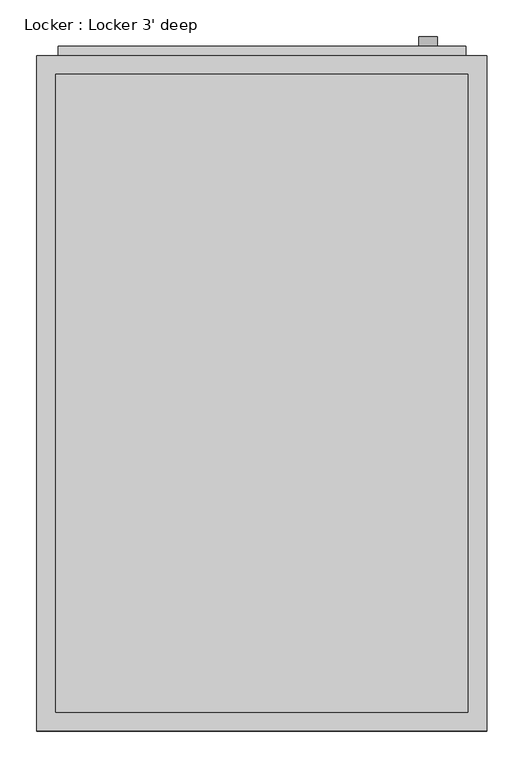
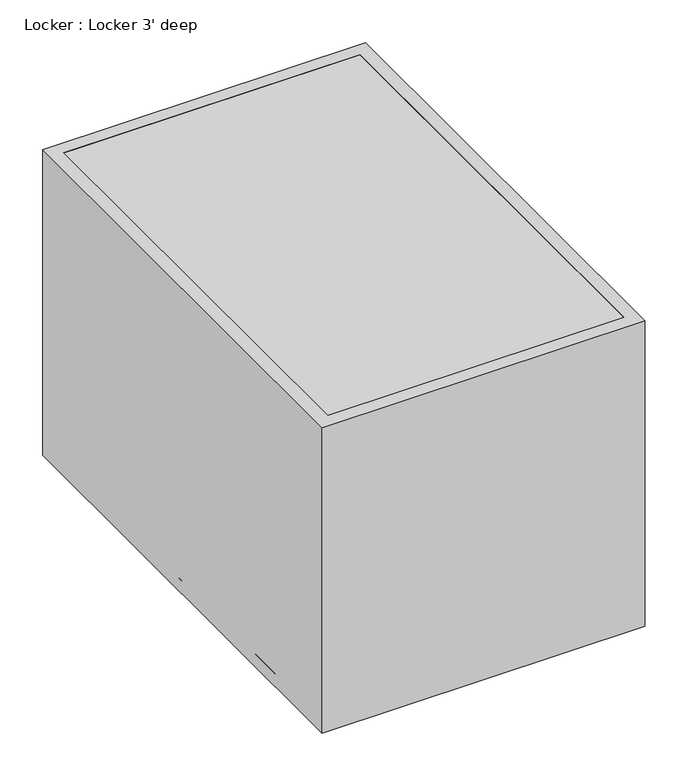
"""IFC4 building model written with IfcOpenShell, lengths in millimetres: proxy geometry, Locker : Locker 3' deep."""

import ifcopenshell
import ifcopenshell.guid

model = None  # the IFC model being written
_history = None  # IfcOwnerHistory: only IFC2X3 demands one
_inside = {}  # id of a spatial element -> (the spatial element, [elements in it])
_under = {}  # id of a project, library or spatial element -> (it, [spatial elements below it])
_declared = {}  # id of a project -> (the project, [libraries it declares])
_typed = {}  # id of a type object -> (the type object, [elements of that type])
_made_of = {}  # id of a material, layer set ... -> (it, [elements and type objects made of it])


def new_model(schema):
    """Start an empty IFC model of exactly this schema.

    Asked for "IFC4X3", IfcOpenShell would pick the latest addendum, in which some entities
    have other attributes; the version numbers below select the first issue.
    IFC2X3 requires an IfcOwnerHistory on every rooted entity: one is made here for all.
    """
    global model, _history
    if schema == "IFC4X3":
        model = ifcopenshell.file(schema_version=(4, 3, 0, 0))
    else:
        model = ifcopenshell.file(schema=schema)
    _inside.clear()
    _under.clear()
    _declared.clear()
    _typed.clear()
    _made_of.clear()
    _history = None
    if model.schema == "IFC2X3":
        org = make("IfcOrganization", Name="unknown")
        user = make(
            "IfcPersonAndOrganization",
            ThePerson=make("IfcPerson", FamilyName="unknown"),
            TheOrganization=org,
        )
        app = make(
            "IfcApplication",
            ApplicationDeveloper=org,
            Version="unknown",
            ApplicationFullName="unknown",
            ApplicationIdentifier="unknown",
        )
        _history = make(
            "IfcOwnerHistory",
            OwningUser=user,
            OwningApplication=app,
            ChangeAction="ADDED",
            CreationDate=0,
        )
    return model


def make(cls, **values):
    """One entity of the class cls with the attributes given. An attribute that is None is left unset."""
    return model.create_entity(
        cls, **{name: value for name, value in values.items() if value is not None}
    )


def rooted(cls, **values):
    """An entity with a GlobalId (a new one), such as an element, a storey or a relation."""
    return make(cls, GlobalId=ifcopenshell.guid.new(), OwnerHistory=_history, **values)


def si_unit(unit_type, name, prefix=None):
    """IfcSIUnit, for example si_unit("LENGTHUNIT", "METRE", prefix="MILLI")."""
    return make("IfcSIUnit", UnitType=unit_type, Prefix=prefix, Name=name)


def assignment(units):
    """IfcUnitAssignment: the units of a project."""
    return None if units is None else make("IfcUnitAssignment", Units=units)


def point(xyz):
    """IfcCartesianPoint."""
    return None if xyz is None else make("IfcCartesianPoint", Coordinates=xyz)


def direction(xyz):
    """IfcDirection."""
    return None if xyz is None else make("IfcDirection", DirectionRatios=xyz)


def frame(location, z_axis=None, x_axis=None):
    """IfcAxis2Placement3D, a coordinate frame: its origin and axes. An axis left out is left unset."""
    return make(
        "IfcAxis2Placement3D",
        Location=point(location),
        Axis=direction(z_axis),
        RefDirection=direction(x_axis),
    )


def frame_2d(location, x_axis=None):
    """IfcAxis2Placement2D, a coordinate frame in the plane: its origin and x axis."""
    return make(
        "IfcAxis2Placement2D", Location=point(location), RefDirection=direction(x_axis)
    )


def origin():
    """The frame at (0, 0, 0) with its axes left unset."""
    return frame((0.0, 0.0, 0.0))


def origin_with_axes():
    """The frame at (0, 0, 0) with the z axis (0, 0, 1) and the x axis (1, 0, 0) written out."""
    return frame((0.0, 0.0, 0.0), z_axis=(0.0, 0.0, 1.0), x_axis=(1.0, 0.0, 0.0))


def place(relative_to, where):
    """IfcLocalPlacement: puts the frame where relative to a parent placement (None: the world)."""
    return make(
        "IfcLocalPlacement", PlacementRelTo=relative_to, RelativePlacement=where
    )


def context(
    kind, dimensions, precision=None, world=None, true_north=None, identifier=None
):
    """IfcGeometricRepresentationContext, for example the 3D "Model" context."""
    return make(
        "IfcGeometricRepresentationContext",
        ContextIdentifier=identifier,
        ContextType=kind,
        CoordinateSpaceDimension=dimensions,
        Precision=precision,
        WorldCoordinateSystem=world,
        TrueNorth=true_north,
    )


def project(units=None, contexts=None):
    """IfcProject with its units and contexts."""
    return rooted(
        "IfcProject",
        Name="project",
        RepresentationContexts=contexts,
        UnitsInContext=assignment(units),
    )


def spatial(cls, under=None, at=None, **own):
    """A site, building, storey or space (cls), placed at a placement, below another one or the project."""
    s = rooted(cls, ObjectPlacement=at, **own)
    if under is not None:
        _under.setdefault(under.id(), (under, []))[1].append(s)
    return s


def polyline(points):
    """IfcPolyline through the points."""
    return make("IfcPolyline", Points=[point(p) for p in points])


def circle_curve(where, radius):
    """IfcCircle in the frame where."""
    return make("IfcCircle", Position=where, Radius=radius)


def trimmed(basis, trim1, trim2, sense, master):
    """IfcTrimmedCurve: the piece of a basis curve between two trims."""
    return make(
        "IfcTrimmedCurve",
        BasisCurve=basis,
        Trim1=trim1,
        Trim2=trim2,
        SenseAgreement=sense,
        MasterRepresentation=master,
    )


def segment(curve, same_sense, transition):
    """IfcCompositeCurveSegment."""
    return make(
        "IfcCompositeCurveSegment",
        Transition=transition,
        SameSense=same_sense,
        ParentCurve=curve,
    )


def composite_curve(segments, self_intersect=None):
    """IfcCompositeCurve: segments joined end to end."""
    return make("IfcCompositeCurve", Segments=segments, SelfIntersect=self_intersect)


def outline(outer, holes=None, kind="AREA"):
    """IfcArbitraryClosedProfileDef: a profile drawn as a closed curve; with holes, ...WithVoids."""
    if holes is None:
        return make("IfcArbitraryClosedProfileDef", ProfileType=kind, OuterCurve=outer)
    return make(
        "IfcArbitraryProfileDefWithVoids",
        ProfileType=kind,
        OuterCurve=outer,
        InnerCurves=holes,
    )


def extrude(swept, where, along, depth):
    """IfcExtrudedAreaSolid: the profile swept, set in the frame where, extruded along a direction by depth."""
    return make(
        "IfcExtrudedAreaSolid",
        SweptArea=swept,
        Position=where,
        ExtrudedDirection=direction(along),
        Depth=depth,
    )


def faces_of(points, faces, orient=None, outer=None):
    """IfcFace entities. A face is a list of loops; a loop is a list of indices into points, from 0.

    orient and outer hold one flag for each loop. By default every Orientation is true, the
    first loop of a face is its IfcFaceOuterBound and the others are IfcFaceBound.
    """
    made = []
    for i, loops in enumerate(faces):
        bounds = []
        for j, loop in enumerate(loops):
            is_outer = j == 0 if outer is None else outer[i][j]
            bounds.append(
                make(
                    "IfcFaceOuterBound" if is_outer else "IfcFaceBound",
                    Bound=make("IfcPolyLoop", Polygon=[points[k] for k in loop]),
                    Orientation=True if orient is None else orient[i][j],
                )
            )
        made.append(make("IfcFace", Bounds=bounds))
    return made


def faceted_brep(points, faces, orient=None, outer=None, voids=None):
    """IfcFacetedBrep: a solid bounded by flat faces; with voids (closed shells), ...WithVoids."""
    shared = [point(p) for p in points]
    hull = make("IfcClosedShell", CfsFaces=faces_of(shared, faces, orient, outer))
    if voids is None:
        return make("IfcFacetedBrep", Outer=hull)
    return make(
        "IfcFacetedBrepWithVoids",
        Outer=hull,
        Voids=[
            make(cls, CfsFaces=faces_of(shared, fs, o, b)) for cls, fs, o, b in voids
        ],
    )


def shape(context_of_items, identifier, shape_type, items):
    """IfcShapeRepresentation: the items that make up one representation, for example the "Body"."""
    return make(
        "IfcShapeRepresentation",
        ContextOfItems=context_of_items,
        RepresentationIdentifier=identifier,
        RepresentationType=shape_type,
        Items=items,
    )


def source(mapping_origin, context_of_items, identifier, shape_type, items):
    """IfcRepresentationMap: a shape defined once, which mapped items show again and again."""
    return make(
        "IfcRepresentationMap",
        MappingOrigin=mapping_origin,
        MappedRepresentation=shape(context_of_items, identifier, shape_type, items),
    )


def transform(
    local_origin,
    x_axis=None,
    y_axis=None,
    z_axis=None,
    scale=None,
    scale2=None,
    scale3=None,
    uniform=True,
):
    """IfcCartesianTransformationOperator3D, or its non-uniform kind. x_axis, y_axis, z_axis: its Axis1, 2, 3."""
    if uniform:
        return make(
            "IfcCartesianTransformationOperator3D",
            Axis1=direction(x_axis),
            Axis2=direction(y_axis),
            LocalOrigin=point(local_origin),
            Scale=scale,
            Axis3=direction(z_axis),
        )
    return make(
        "IfcCartesianTransformationOperator3DnonUniform",
        Axis1=direction(x_axis),
        Axis2=direction(y_axis),
        LocalOrigin=point(local_origin),
        Scale=scale,
        Axis3=direction(z_axis),
        Scale2=scale2,
        Scale3=scale3,
    )


def mapped(mapping_source, mapping_target):
    """IfcMappedItem: shows the shape of a source again, moved by a transform."""
    return make(
        "IfcMappedItem", MappingSource=mapping_source, MappingTarget=mapping_target
    )


def made_of(thing, what):
    """Note that an element or type object is made of a material, layer set ...; save() writes the relation."""
    if what is not None:
        _made_of.setdefault(what.id(), (what, []))[1].append(thing)
    return thing


def element(
    cls,
    number,
    at=None,
    inside=None,
    cuts=None,
    type_object=None,
    material=None,
    context=None,
    identifier="Body",
    shape_type=None,
    held_by="IfcProductDefinitionShape",
    body=None,
    shapes=None,
    **own,
):
    """One element of the class cls, such as IfcWall. Its Tag is "e" and its number.

    at: its placement. inside: the storey or other place that contains it. cuts: it is an
    opening in that element (IfcRelVoidsElement). A single representation is given by context,
    identifier, shape_type and body (its items); several are given by shapes. held_by: the class
    of the entity that holds the representations. save() writes the other relations.
    """
    e = rooted(cls, Tag="e%d" % number, ObjectPlacement=at, **own)
    if body is not None:
        shapes = [shape(context, identifier, shape_type, body)]
    if shapes is not None:
        e.Representation = make(held_by, Representations=shapes)
    if inside is not None:
        _inside.setdefault(inside.id(), (inside, []))[1].append(e)
    if cuts is not None:
        rooted(
            "IfcRelVoidsElement", RelatingBuildingElement=cuts, RelatedOpeningElement=e
        )
    if type_object is not None:
        _typed.setdefault(type_object.id(), (type_object, []))[1].append(e)
    return made_of(e, material)


def aggregate(whole, parts):
    """IfcRelAggregates: a whole, such as a stair, and the parts it consists of."""
    return rooted("IfcRelAggregates", RelatingObject=whole, RelatedObjects=parts)


def save(model, path):
    """Write the relations noted so far, then the file.

    IfcRelAggregates (storeys below a building ...), IfcRelContainedInSpatialStructure (elements
    in a storey), IfcRelDefinesByType, IfcRelAssociatesMaterial and IfcRelDeclares: one each for
    every whole, place, type object, material and project.
    """
    for whole, parts in _under.values():
        aggregate(whole, parts)
    for where, things in _inside.values():
        rooted(
            "IfcRelContainedInSpatialStructure",
            RelatedElements=things,
            RelatingStructure=where,
        )
    for kind, things in _typed.values():
        rooted("IfcRelDefinesByType", RelatedObjects=things, RelatingType=kind)
    for what, things in _made_of.values():
        rooted("IfcRelAssociatesMaterial", RelatedObjects=things, RelatingMaterial=what)
    for by, libraries in _declared.values():
        rooted("IfcRelDeclares", RelatingContext=by, RelatedDefinitions=libraries)
    model.write(path)


def locker_locker_3_deep_3d362438(model_context):
    return source(origin(), model_context, "Body", "SolidModel", [
        extrude(outline(polyline([(581.025, 581.025), (581.025, 28.575), (28.575, 28.575), (28.575, 581.025), (581.025, 581.025)]), holes=[polyline([(498.475, 381.0), (498.475, 228.6), (504.825, 228.6), (504.825, 381.0), (498.475, 381.0)]), polyline([(473.075, 381.0), (473.075, 228.6), (479.425, 228.6), (479.425, 381.0), (473.075, 381.0)]), polyline([(447.675, 381.0), (447.675, 228.6), (454.025, 228.6), (454.025, 381.0), (447.675, 381.0)]), polyline([(111.125, 381.0), (104.775, 381.0), (104.775, 228.6), (111.125, 228.6), (111.125, 381.0)]), polyline([(136.525, 381.0), (130.175, 381.0), (130.175, 228.6), (136.525, 228.6), (136.525, 381.0)]), polyline([(161.925, 381.0), (155.575, 381.0), (155.575, 228.6), (161.925, 228.6), (161.925, 381.0)])]), frame((0.0, 0.0, 0.0), z_axis=(0.0, 1.0, 0.0), x_axis=(0.0, 0.0, 1.0)), (0.0, 0.0, 1.0), 12.7),
        faceted_brep([(609.6, 0.0, 609.6), (0.0, 0.0, 609.6), (0.0, -914.4, 609.6), (609.6, -914.4, 609.6), (25.4, -25.4, 609.6), (584.2, -25.4, 609.6), (584.2, -889.0, 609.6), (25.4, -889.0, 609.6), (609.6, 0.0, 0.0), (609.6, -914.4, 0.0), (0.0, -914.4, 0.0), (0.0, 0.0, 0.0), (25.4, -25.4, 0.0), (25.4, -889.0, 0.0), (584.2, -889.0, 0.0), (584.2, -25.4, 0.0), (381.0, 0.0, 504.825), (228.6, 0.0, 504.825), (228.6, 0.0, 498.475), (381.0, 0.0, 498.475), (381.0, 0.0, 479.425), (228.6, 0.0, 479.425), (228.6, 0.0, 473.075), (381.0, 0.0, 473.075), (381.0, 0.0, 454.025), (228.6, 0.0, 454.025), (228.6, 0.0, 447.675), (381.0, 0.0, 447.675), (228.6, 0.0, 111.125), (228.6, 0.0, 104.775), (381.0, 0.0, 104.775), (381.0, 0.0, 111.125), (228.6, 0.0, 136.525), (228.6, 0.0, 130.175), (381.0, 0.0, 130.175), (381.0, 0.0, 136.525), (228.6, 0.0, 161.925), (228.6, 0.0, 155.575), (381.0, 0.0, 155.575), (381.0, 0.0, 161.925), (381.0, -25.4, 498.475), (228.6, -25.4, 498.475), (228.6, -25.4, 504.825), (381.0, -25.4, 504.825), (381.0, -25.4, 473.075), (228.6, -25.4, 473.075), (228.6, -25.4, 479.425), (381.0, -25.4, 479.425), (381.0, -25.4, 447.675), (228.6, -25.4, 447.675), (228.6, -25.4, 454.025), (381.0, -25.4, 454.025), (381.0, -25.4, 111.125), (381.0, -25.4, 104.775), (228.6, -25.4, 104.775), (228.6, -25.4, 111.125), (381.0, -25.4, 136.525), (381.0, -25.4, 130.175), (228.6, -25.4, 130.175), (228.6, -25.4, 136.525), (381.0, -25.4, 161.925), (381.0, -25.4, 155.575), (228.6, -25.4, 155.575), (228.6, -25.4, 161.925)], [[[0, 1, 2, 3], [4, 5, 6, 7]], [[8, 9, 10, 11], [12, 13, 14, 15]], [[3, 9, 8, 0]], [[2, 10, 9, 3]], [[1, 11, 10, 2]], [[0, 8, 11, 1], [16, 17, 18, 19], [20, 21, 22, 23], [24, 25, 26, 27], [28, 29, 30, 31], [32, 33, 34, 35], [36, 37, 38, 39]], [[7, 13, 12, 4]], [[6, 14, 13, 7]], [[5, 15, 14, 6]], [[4, 12, 15, 5], [40, 41, 42, 43], [44, 45, 46, 47], [48, 49, 50, 51], [52, 53, 54, 55], [56, 57, 58, 59], [60, 61, 62, 63]], [[40, 43, 16, 19]], [[43, 42, 17, 16]], [[42, 41, 18, 17]], [[19, 18, 41, 40]], [[44, 47, 20, 23]], [[47, 46, 21, 20]], [[46, 45, 22, 21]], [[23, 22, 45, 44]], [[48, 51, 24, 27]], [[51, 50, 25, 24]], [[50, 49, 26, 25]], [[27, 26, 49, 48]], [[52, 55, 28, 31]], [[55, 54, 29, 28]], [[54, 53, 30, 29]], [[31, 30, 53, 52]], [[56, 59, 32, 35]], [[59, 58, 33, 32]], [[58, 57, 34, 33]], [[35, 34, 57, 56]], [[60, 63, 36, 39]], [[63, 62, 37, 36]], [[62, 61, 38, 37]], [[39, 38, 61, 60]]]),
        extrude(outline(composite_curve([segment(trimmed(circle_curve(frame_2d((304.8, 530.225)), 12.7), [point((304.8, 517.525))], [point((304.8, 542.925))], False, "CARTESIAN"), True, "CONTINUOUS"), segment(trimmed(circle_curve(frame_2d((304.8, 530.225)), 12.7), [point((304.8, 542.925))], [point((304.8, 517.525))], False, "CARTESIAN"), True, "CONTINUOUS")], self_intersect=False)), frame((0.0, 0.0, 0.0), z_axis=(0.0, 1.0, 0.0), x_axis=(0.0, 0.0, 1.0)), (0.0, 0.0, 1.0), 25.4),
        extrude(outline(polyline([(532.5246157, 25.4), (532.5246157, 0.0), (526.1746157, 0.0), (526.1746157, 25.4), (532.5246157, 25.4)])), frame((0.0, 0.0, 209.1880316), z_axis=(0.0, 0.0, 1.0), x_axis=(1.0, 0.0, 0.0)), (0.0, 0.0, 1.0), 76.2),
        extrude(outline(polyline([(609.6, -914.4), (0.0, -914.4), (0.0, 0.0), (609.6, 0.0), (609.6, -914.4)])), frame((0.0, 0.0, 584.2), z_axis=(0.0, 0.0, 1.0), x_axis=(1.0, 0.0, 0.0)), (0.0, 0.0, 1.0), 25.4),
        extrude(outline(polyline([(609.6, 0.0), (609.6, -914.4), (0.0, -914.4), (0.0, 0.0), (609.6, 0.0)])), origin_with_axes(), (0.0, 0.0, 1.0), 25.4),
    ])


if __name__ == "__main__":
    model = new_model("IFC4")
    model_context = context("Model", 3, world=origin())
    ifc_project = project(units=[si_unit("LENGTHUNIT", "METRE", prefix="MILLI")], contexts=[model_context])
    site = spatial("IfcSite", under=ifc_project)
    building = spatial("IfcBuilding", under=site)
    placement = place(None, origin())
    locker_locker_3_deep_shape = locker_locker_3_deep_3d362438(model_context)
    element("IfcBuildingElementProxy", 1, Name="Locker : Locker 3' deep", ObjectType="Locker : Locker 3' deep", at=placement, inside=building, context=model_context, shape_type="MappedRepresentation", body=[
        mapped(locker_locker_3_deep_shape, transform((0.0, 0.0, 0.0), x_axis=(1.0, 0.0, 0.0), y_axis=(0.0, 1.0, 0.0), z_axis=(0.0, 0.0, 1.0))),
    ])
    save(model, "model.ifc")
